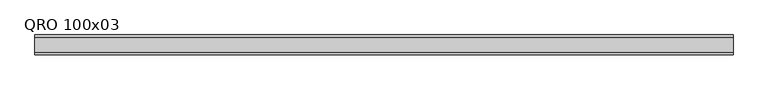
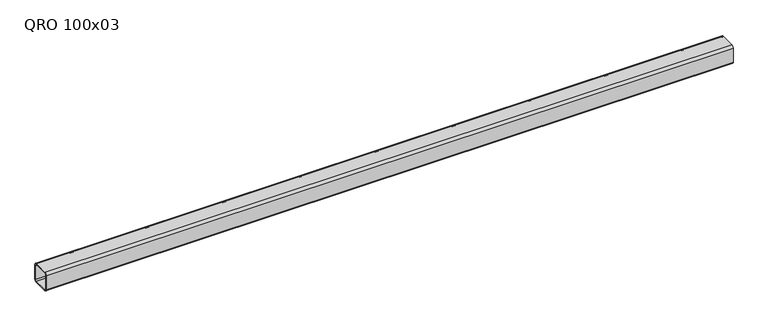
"""IFC4 building model written with IfcOpenShell, lengths in millimetres: beam geometry, QRO 100x03."""

from ifc_helpers import new_model, si_unit, point, frame, frame_2d, origin, place, context, project, spatial, polyline, circle_curve, trimmed, segment, composite_curve, outline, extrude, source, transform, mapped, element, save


def qro_100x03_ba160d13(model_context):
    return source(origin(), model_context, "Body", "SweptSolid", [
        extrude(outline(composite_curve([segment(polyline([(50.0, 38.0), (50.0, -38.0)]), True, "CONTINUOUS"), segment(trimmed(circle_curve(frame_2d((38.0, -38.0)), 12.0), [point((50.0, -38.0))], [point((38.0, -50.0))], False, "CARTESIAN"), True, "CONTINUOUS"), segment(polyline([(38.0, -50.0), (-38.0, -50.0)]), True, "CONTINUOUS"), segment(trimmed(circle_curve(frame_2d((-38.0, -38.0)), 12.0), [point((-38.0, -50.0))], [point((-50.0, -38.0))], False, "CARTESIAN"), True, "CONTINUOUS"), segment(polyline([(-50.0, -38.0), (-50.0, 38.0)]), True, "CONTINUOUS"), segment(trimmed(circle_curve(frame_2d((-38.0, 38.0)), 12.0), [point((-50.0, 38.0))], [point((-38.0, 50.0))], False, "CARTESIAN"), True, "CONTINUOUS"), segment(polyline([(-38.0, 50.0), (38.0, 50.0)]), True, "CONTINUOUS"), segment(trimmed(circle_curve(frame_2d((38.0, 38.0)), 12.0), [point((38.0, 50.0))], [point((50.0, 38.0))], False, "CARTESIAN"), True, "CONTINUOUS")], self_intersect=False), holes=[composite_curve([segment(trimmed(circle_curve(frame_2d((-38.0, 38.0)), 6.0), [point((-38.0, 44.0))], [point((-44.0, 38.0))], True, "CARTESIAN"), True, "CONTINUOUS"), segment(polyline([(-44.0, 38.0), (-44.0, -38.0)]), True, "CONTINUOUS"), segment(trimmed(circle_curve(frame_2d((-38.0, -38.0)), 6.0), [point((-44.0, -38.0))], [point((-38.0, -44.0))], True, "CARTESIAN"), True, "CONTINUOUS"), segment(polyline([(-38.0, -44.0), (38.0, -44.0)]), True, "CONTINUOUS"), segment(trimmed(circle_curve(frame_2d((38.0, -38.0)), 6.0), [point((38.0, -44.0))], [point((44.0, -38.0))], True, "CARTESIAN"), True, "CONTINUOUS"), segment(polyline([(44.0, -38.0), (44.0, 38.0)]), True, "CONTINUOUS"), segment(trimmed(circle_curve(frame_2d((38.0, 38.0)), 6.0), [point((44.0, 38.0))], [point((38.0, 44.0))], True, "CARTESIAN"), True, "CONTINUOUS"), segment(polyline([(38.0, 44.0), (-38.0, 44.0)]), True, "CONTINUOUS")], self_intersect=False)]), frame((-1719.4288099, 0.0, 0.0), z_axis=(1.0, 0.0, 0.0), x_axis=(0.0, 1.0, 0.0)), (0.0, 0.0, 1.0), 3533.3006478),
    ])


if __name__ == "__main__":
    model = new_model("IFC4")
    model_context = context("Model", 3, world=origin())
    ifc_project = project(units=[si_unit("LENGTHUNIT", "METRE", prefix="MILLI")], contexts=[model_context])
    site = spatial("IfcSite", under=ifc_project)
    building = spatial("IfcBuilding", under=site)
    placement = place(None, origin())
    qro_100x03_shape = qro_100x03_ba160d13(model_context)
    element("IfcBeam", 1, ObjectType="QRO 100x03", at=placement, inside=building, context=model_context, shape_type="MappedRepresentation", body=[
        mapped(qro_100x03_shape, transform((0.0, 0.0, 0.0), x_axis=(1.0, 0.0, 0.0), y_axis=(0.0, 1.0, 0.0), z_axis=(0.0, 0.0, 1.0))),
    ])
    save(model, "model.ifc")
